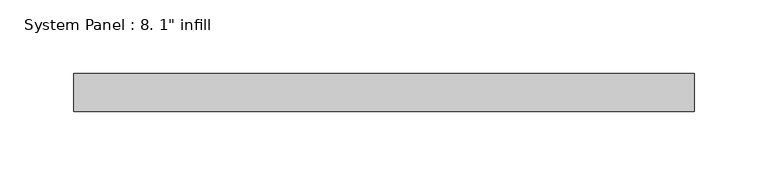
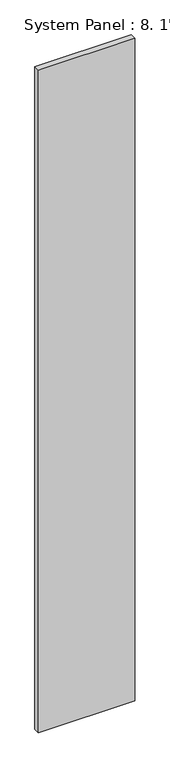
"""IFC4 building model written with IfcOpenShell, lengths in millimetres: plate geometry."""

import ifcopenshell
import ifcopenshell.guid

model = None  # the IFC model being written
_history = None  # IfcOwnerHistory: only IFC2X3 demands one
_inside = {}  # id of a spatial element -> (the spatial element, [elements in it])
_under = {}  # id of a project, library or spatial element -> (it, [spatial elements below it])
_declared = {}  # id of a project -> (the project, [libraries it declares])
_typed = {}  # id of a type object -> (the type object, [elements of that type])
_made_of = {}  # id of a material, layer set ... -> (it, [elements and type objects made of it])


def new_model(schema):
    """Start an empty IFC model of exactly this schema.

    Asked for "IFC4X3", IfcOpenShell would pick the latest addendum, in which some entities
    have other attributes; the version numbers below select the first issue.
    IFC2X3 requires an IfcOwnerHistory on every rooted entity: one is made here for all.
    """
    global model, _history
    if schema == "IFC4X3":
        model = ifcopenshell.file(schema_version=(4, 3, 0, 0))
    else:
        model = ifcopenshell.file(schema=schema)
    _inside.clear()
    _under.clear()
    _declared.clear()
    _typed.clear()
    _made_of.clear()
    _history = None
    if model.schema == "IFC2X3":
        org = make("IfcOrganization", Name="unknown")
        user = make(
            "IfcPersonAndOrganization",
            ThePerson=make("IfcPerson", FamilyName="unknown"),
            TheOrganization=org,
        )
        app = make(
            "IfcApplication",
            ApplicationDeveloper=org,
            Version="unknown",
            ApplicationFullName="unknown",
            ApplicationIdentifier="unknown",
        )
        _history = make(
            "IfcOwnerHistory",
            OwningUser=user,
            OwningApplication=app,
            ChangeAction="ADDED",
            CreationDate=0,
        )
    return model


def make(cls, **values):
    """One entity of the class cls with the attributes given. An attribute that is None is left unset."""
    return model.create_entity(
        cls, **{name: value for name, value in values.items() if value is not None}
    )


def rooted(cls, **values):
    """An entity with a GlobalId (a new one), such as an element, a storey or a relation."""
    return make(cls, GlobalId=ifcopenshell.guid.new(), OwnerHistory=_history, **values)


def si_unit(unit_type, name, prefix=None):
    """IfcSIUnit, for example si_unit("LENGTHUNIT", "METRE", prefix="MILLI")."""
    return make("IfcSIUnit", UnitType=unit_type, Prefix=prefix, Name=name)


def assignment(units):
    """IfcUnitAssignment: the units of a project."""
    return None if units is None else make("IfcUnitAssignment", Units=units)


def point(xyz):
    """IfcCartesianPoint."""
    return None if xyz is None else make("IfcCartesianPoint", Coordinates=xyz)


def direction(xyz):
    """IfcDirection."""
    return None if xyz is None else make("IfcDirection", DirectionRatios=xyz)


def frame(location, z_axis=None, x_axis=None):
    """IfcAxis2Placement3D, a coordinate frame: its origin and axes. An axis left out is left unset."""
    return make(
        "IfcAxis2Placement3D",
        Location=point(location),
        Axis=direction(z_axis),
        RefDirection=direction(x_axis),
    )


def origin():
    """The frame at (0, 0, 0) with its axes left unset."""
    return frame((0.0, 0.0, 0.0))


def origin_with_axes():
    """The frame at (0, 0, 0) with the z axis (0, 0, 1) and the x axis (1, 0, 0) written out."""
    return frame((0.0, 0.0, 0.0), z_axis=(0.0, 0.0, 1.0), x_axis=(1.0, 0.0, 0.0))


def place(relative_to, where):
    """IfcLocalPlacement: puts the frame where relative to a parent placement (None: the world)."""
    return make(
        "IfcLocalPlacement", PlacementRelTo=relative_to, RelativePlacement=where
    )


def context(
    kind, dimensions, precision=None, world=None, true_north=None, identifier=None
):
    """IfcGeometricRepresentationContext, for example the 3D "Model" context."""
    return make(
        "IfcGeometricRepresentationContext",
        ContextIdentifier=identifier,
        ContextType=kind,
        CoordinateSpaceDimension=dimensions,
        Precision=precision,
        WorldCoordinateSystem=world,
        TrueNorth=true_north,
    )


def project(units=None, contexts=None):
    """IfcProject with its units and contexts."""
    return rooted(
        "IfcProject",
        Name="project",
        RepresentationContexts=contexts,
        UnitsInContext=assignment(units),
    )


def spatial(cls, under=None, at=None, **own):
    """A site, building, storey or space (cls), placed at a placement, below another one or the project."""
    s = rooted(cls, ObjectPlacement=at, **own)
    if under is not None:
        _under.setdefault(under.id(), (under, []))[1].append(s)
    return s


def polyline(points):
    """IfcPolyline through the points."""
    return make("IfcPolyline", Points=[point(p) for p in points])


def outline(outer, holes=None, kind="AREA"):
    """IfcArbitraryClosedProfileDef: a profile drawn as a closed curve; with holes, ...WithVoids."""
    if holes is None:
        return make("IfcArbitraryClosedProfileDef", ProfileType=kind, OuterCurve=outer)
    return make(
        "IfcArbitraryProfileDefWithVoids",
        ProfileType=kind,
        OuterCurve=outer,
        InnerCurves=holes,
    )


def extrude(swept, where, along, depth):
    """IfcExtrudedAreaSolid: the profile swept, set in the frame where, extruded along a direction by depth."""
    return make(
        "IfcExtrudedAreaSolid",
        SweptArea=swept,
        Position=where,
        ExtrudedDirection=direction(along),
        Depth=depth,
    )


def shape(context_of_items, identifier, shape_type, items):
    """IfcShapeRepresentation: the items that make up one representation, for example the "Body"."""
    return make(
        "IfcShapeRepresentation",
        ContextOfItems=context_of_items,
        RepresentationIdentifier=identifier,
        RepresentationType=shape_type,
        Items=items,
    )


def source(mapping_origin, context_of_items, identifier, shape_type, items):
    """IfcRepresentationMap: a shape defined once, which mapped items show again and again."""
    return make(
        "IfcRepresentationMap",
        MappingOrigin=mapping_origin,
        MappedRepresentation=shape(context_of_items, identifier, shape_type, items),
    )


def transform(
    local_origin,
    x_axis=None,
    y_axis=None,
    z_axis=None,
    scale=None,
    scale2=None,
    scale3=None,
    uniform=True,
):
    """IfcCartesianTransformationOperator3D, or its non-uniform kind. x_axis, y_axis, z_axis: its Axis1, 2, 3."""
    if uniform:
        return make(
            "IfcCartesianTransformationOperator3D",
            Axis1=direction(x_axis),
            Axis2=direction(y_axis),
            LocalOrigin=point(local_origin),
            Scale=scale,
            Axis3=direction(z_axis),
        )
    return make(
        "IfcCartesianTransformationOperator3DnonUniform",
        Axis1=direction(x_axis),
        Axis2=direction(y_axis),
        LocalOrigin=point(local_origin),
        Scale=scale,
        Axis3=direction(z_axis),
        Scale2=scale2,
        Scale3=scale3,
    )


def mapped(mapping_source, mapping_target):
    """IfcMappedItem: shows the shape of a source again, moved by a transform."""
    return make(
        "IfcMappedItem", MappingSource=mapping_source, MappingTarget=mapping_target
    )


def made_of(thing, what):
    """Note that an element or type object is made of a material, layer set ...; save() writes the relation."""
    if what is not None:
        _made_of.setdefault(what.id(), (what, []))[1].append(thing)
    return thing


def element(
    cls,
    number,
    at=None,
    inside=None,
    cuts=None,
    type_object=None,
    material=None,
    context=None,
    identifier="Body",
    shape_type=None,
    held_by="IfcProductDefinitionShape",
    body=None,
    shapes=None,
    **own,
):
    """One element of the class cls, such as IfcWall. Its Tag is "e" and its number.

    at: its placement. inside: the storey or other place that contains it. cuts: it is an
    opening in that element (IfcRelVoidsElement). A single representation is given by context,
    identifier, shape_type and body (its items); several are given by shapes. held_by: the class
    of the entity that holds the representations. save() writes the other relations.
    """
    e = rooted(cls, Tag="e%d" % number, ObjectPlacement=at, **own)
    if body is not None:
        shapes = [shape(context, identifier, shape_type, body)]
    if shapes is not None:
        e.Representation = make(held_by, Representations=shapes)
    if inside is not None:
        _inside.setdefault(inside.id(), (inside, []))[1].append(e)
    if cuts is not None:
        rooted(
            "IfcRelVoidsElement", RelatingBuildingElement=cuts, RelatedOpeningElement=e
        )
    if type_object is not None:
        _typed.setdefault(type_object.id(), (type_object, []))[1].append(e)
    return made_of(e, material)


def aggregate(whole, parts):
    """IfcRelAggregates: a whole, such as a stair, and the parts it consists of."""
    return rooted("IfcRelAggregates", RelatingObject=whole, RelatedObjects=parts)


def save(model, path):
    """Write the relations noted so far, then the file.

    IfcRelAggregates (storeys below a building ...), IfcRelContainedInSpatialStructure (elements
    in a storey), IfcRelDefinesByType, IfcRelAssociatesMaterial and IfcRelDeclares: one each for
    every whole, place, type object, material and project.
    """
    for whole, parts in _under.values():
        aggregate(whole, parts)
    for where, things in _inside.values():
        rooted(
            "IfcRelContainedInSpatialStructure",
            RelatedElements=things,
            RelatingStructure=where,
        )
    for kind, things in _typed.values():
        rooted("IfcRelDefinesByType", RelatedObjects=things, RelatingType=kind)
    for what, things in _made_of.values():
        rooted("IfcRelAssociatesMaterial", RelatedObjects=things, RelatingMaterial=what)
    for by, libraries in _declared.values():
        rooted("IfcRelDeclares", RelatingContext=by, RelatedDefinitions=libraries)
    model.write(path)


def plate_d7233cb1(model_context):
    return source(origin(), model_context, "Body", "SweptSolid", [
        extrude(outline(polyline([(209.55, -25.4), (-209.55, -25.4), (-209.55, 0.0), (209.55, 0.0), (209.55, -25.4)])), origin_with_axes(), (0.0, 0.0, 1.0), 3048.0),
    ])


if __name__ == "__main__":
    model = new_model("IFC4")
    model_context = context("Model", 3, world=origin())
    ifc_project = project(units=[si_unit("LENGTHUNIT", "METRE", prefix="MILLI")], contexts=[model_context])
    site = spatial("IfcSite", under=ifc_project)
    building = spatial("IfcBuilding", under=site)
    placement = place(None, origin())
    plate_shape = plate_d7233cb1(model_context)
    element("IfcPlate", 1, ObjectType="System Panel : 8. 1\" infill", at=placement, inside=building, context=model_context, shape_type="MappedRepresentation", body=[
        mapped(plate_shape, transform((0.0, 0.0, 0.0), x_axis=(1.0, 0.0, 0.0), y_axis=(0.0, 1.0, 0.0), z_axis=(0.0, 0.0, 1.0))),
    ])
    save(model, "model.ifc")
